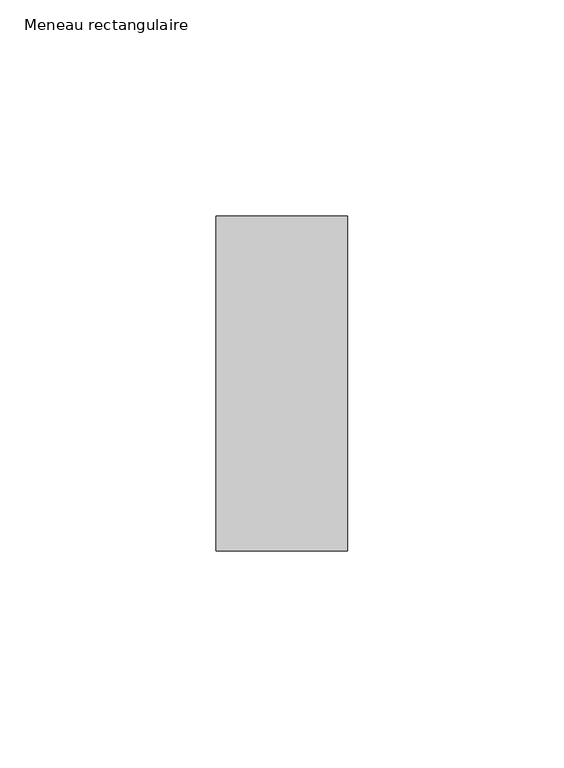
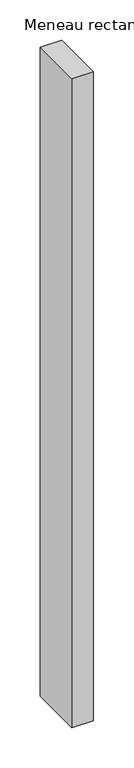
"""IFC4 building model written with IfcOpenShell, lengths in millimetres: member geometry, Meneau rectangulaire."""

from ifc_helpers import new_model, si_unit, frame, origin, place, context, project, spatial, polyline, outline, extrude, source, transform, mapped, element, save


def meneau_rectangulaire_c7dec930(model_context):
    return source(origin(), model_context, "Body", "SweptSolid", [
        extrude(outline(polyline([(-15.25, 38.75), (15.25, 38.75), (15.25, -38.75), (-15.25, -38.75), (-15.25, 38.75)])), frame((0.0, 0.0, -980.0), z_axis=(0.0, 0.0, 1.0), x_axis=(1.0, 0.0, 0.0)), (0.0, 0.0, 1.0), 980.0),
    ])


if __name__ == "__main__":
    model = new_model("IFC4")
    model_context = context("Model", 3, world=origin())
    ifc_project = project(units=[si_unit("LENGTHUNIT", "METRE", prefix="MILLI")], contexts=[model_context])
    site = spatial("IfcSite", under=ifc_project)
    building = spatial("IfcBuilding", under=site)
    placement = place(None, origin())
    meneau_rectangulaire_shape = meneau_rectangulaire_c7dec930(model_context)
    element("IfcMember", 1, ObjectType="Meneau rectangulaire", at=placement, inside=building, context=model_context, shape_type="MappedRepresentation", body=[
        mapped(meneau_rectangulaire_shape, transform((0.0, 0.0, 0.0), x_axis=(1.0, 0.0, 0.0), y_axis=(0.0, 1.0, 0.0), z_axis=(0.0, 0.0, 1.0))),
    ])
    save(model, "model.ifc")
